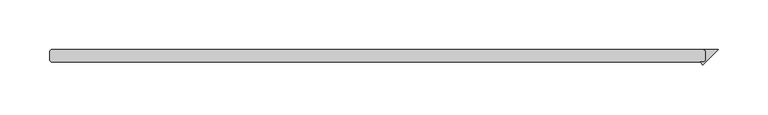
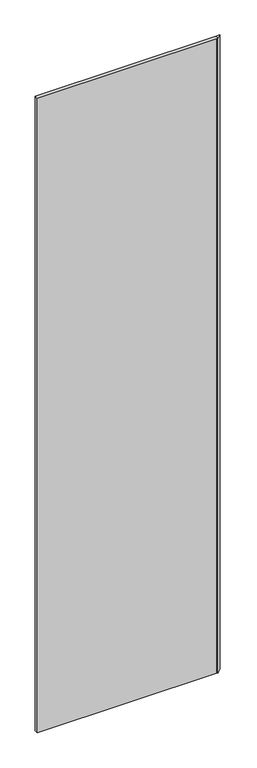
"""IFC4 building model written with IfcOpenShell, lengths in millimetres: plate geometry."""

from ifc_helpers import new_model, si_unit, origin, origin_with_axes, place, context, project, spatial, polyline, outline, extrude, source, transform, mapped, element, save


def plate_557e6311(model_context):
    return source(origin(), model_context, "Body", "SweptSolid", [
        extrude(outline(polyline([(340.915625, 34.925), (339.328125, 36.5125), (353.615625, 36.5125), (338.205593, 21.102468), (335.495561, 23.8125), (339.328125, 23.8125), (340.915625, 25.4), (340.915625, 34.925)])), origin_with_axes(), (0.0, 0.0, 1.0), 2428.7789267),
        extrude(outline(polyline([(339.328125, 36.5125), (340.915625, 34.925), (340.915625, 25.4), (339.328125, 23.8125), (-315.515625, 23.8125), (-317.103125, 25.4), (-317.103125, 34.925), (-315.515625, 36.5125), (339.328125, 36.5125)])), origin_with_axes(), (0.0, 0.0, 1.0), 2428.7789267),
    ])


if __name__ == "__main__":
    model = new_model("IFC4")
    model_context = context("Model", 3, world=origin())
    ifc_project = project(units=[si_unit("LENGTHUNIT", "METRE", prefix="MILLI")], contexts=[model_context])
    site = spatial("IfcSite", under=ifc_project)
    building = spatial("IfcBuilding", under=site)
    placement = place(None, origin())
    plate_shape = plate_557e6311(model_context)
    element("IfcPlate", 1, at=placement, inside=building, context=model_context, shape_type="MappedRepresentation", body=[
        mapped(plate_shape, transform((0.0, 0.0, 0.0), x_axis=(1.0, 0.0, 0.0), y_axis=(0.0, 1.0, 0.0), z_axis=(0.0, 0.0, 1.0))),
    ])
    save(model, "model.ifc")
